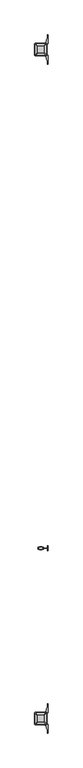
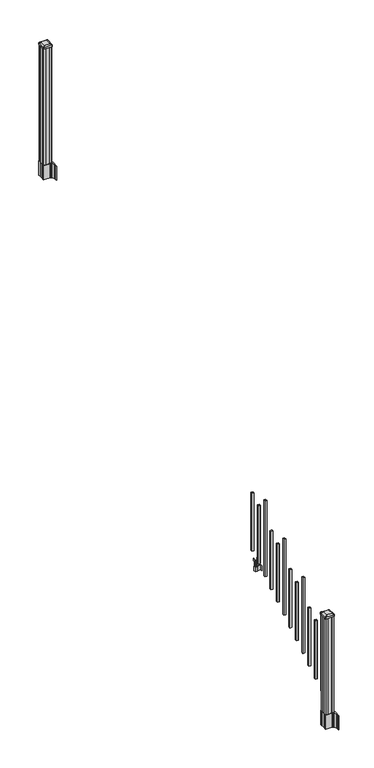
"""IFC4 building model written with IfcOpenShell, lengths in millimetres: railing geometry."""

from ifc_helpers import new_model, si_unit, point, frame, frame_2d, origin, place, context, project, spatial, polyline, circle_curve, trimmed, segment, composite_curve, outline, extrude, source, transform, mapped, element, save
from ifc_brep_helpers import plane_surface, extruded_surface, advanced_brep


def railing_194823c4(model_context):
    return source(origin(), model_context, "Body", "SolidModel", [
        extrude(outline(polyline([(7302.5407728, -114690.6918453), (7302.5407728, -114671.6418453), (7321.5907728, -114671.6418453), (7321.5907728, -114690.6918453), (7302.5407728, -114690.6918453)]), holes=[polyline([(7302.9376478, -114690.2949703), (7321.1938978, -114690.2949703), (7321.1938978, -114672.0387203), (7302.9376478, -114672.0387203), (7302.9376478, -114690.2949703)])]), frame((0.0, 0.0, 1089.6558781), z_axis=(0.0, 0.0, 1.0), x_axis=(1.0, 0.0, 0.0)), (0.0, 0.0, 1.0), 622.3041219),
        extrude(outline(polyline([(7322.7337726, -114738.0628453), (7322.7337726, -114735.5228453), (7362.1037728, -114735.5228453), (7362.1037728, -114738.0628453), (7322.7337726, -114738.0628453)])), frame((0.0, 0.0, 902.49375), z_axis=(0.0, 0.0, 1.0), x_axis=(1.0, 0.0, 0.0)), (0.0, 0.0, 1.0), 50.8),
        extrude(outline(polyline([(7362.1037728, -114755.8428453), (7362.1037728, -114717.7428453), (7364.6437728, -114717.7428453), (7364.6437728, -114755.8428453), (7362.1037728, -114755.8428453)])), frame((0.0, 0.0, 902.49375), z_axis=(0.0, 0.0, 1.0), x_axis=(1.0, 0.0, 0.0)), (0.0, 0.0, 1.0), 50.8),
        extrude(outline(polyline([(7301.397772, -114746.6988453), (7301.397772, -114726.8868453), (7322.7337726, -114726.8868453), (7322.7337726, -114746.6988453), (7301.397772, -114746.6988453)]), holes=[polyline([(7304.6997721, -114744.1588453), (7319.4317725, -114744.1588453), (7319.4317725, -114729.4268453), (7304.6997721, -114729.4268453), (7304.6997721, -114744.1588453)])]), frame((0.0, 0.0, 902.49375), z_axis=(0.0, 0.0, 1.0), x_axis=(1.0, 0.0, 0.0)), (0.0, 0.0, 1.0), 50.8),
        extrude(outline(polyline([(1042.0141479, 7330.2267716), (1042.0141479, 7328.194772), (1040.9981453, 7327.1787722), (1030.5623581, 7327.1787722), (1029.5463573, 7328.194772), (1017.555751, 7328.194772), (1016.7937519, 7327.4327729), (1016.7937519, 7296.6987717), (1017.555751, 7295.9367726), (1029.5463573, 7295.9367726), (1030.5623581, 7296.9527724), (1040.9981453, 7296.9527724), (1042.0141479, 7295.9367726), (1042.0141479, 7293.904773), (1041.2521469, 7293.142772), (1014.7617523, 7293.142772), (1013.9997513, 7293.904773), (1013.9997513, 7303.937772), (1013.2377512, 7304.6997721), (949.7377512, 7304.6997721), (949.7377512, 7319.4317725), (1013.2377512, 7319.4317725), (1013.9997513, 7320.1937726), (1013.9997513, 7330.2267716), (1014.7617523, 7330.9887726), (1041.2521469, 7330.9887726), (1042.0141479, 7330.2267716)]), holes=[polyline([(1013.9997513, 7308.6367724), (1013.9997513, 7315.4947722), (1013.2377512, 7316.2567723), (957.2307503, 7316.2567723), (956.4687531, 7315.4947751), (956.4687531, 7308.6367724), (957.2307531, 7307.8747723), (1013.2377512, 7307.8747723), (1013.9997513, 7308.6367724)])]), frame((0.0, -114744.1588453, 0.0), z_axis=(0.0, 1.0, 0.0), x_axis=(0.0, 0.0, 1.0)), (0.0, 0.0, 1.0), 14.732),
        extrude(outline(polyline([(7302.5407728, -114801.9438453), (7302.5407728, -114782.8938453), (7321.5907728, -114782.8938453), (7321.5907728, -114801.9438453), (7302.5407728, -114801.9438453)]), holes=[polyline([(7302.9376478, -114801.5469703), (7321.1938978, -114801.5469703), (7321.1938978, -114783.2907203), (7302.9376478, -114783.2907203), (7302.9376478, -114801.5469703)])]), frame((0.0, 0.0, 1020.1233781), z_axis=(0.0, 0.0, 1.0), x_axis=(1.0, 0.0, 0.0)), (0.0, 0.0, 1.0), 622.3041219),
        extrude(outline(polyline([(7302.5407728, -114913.1958453), (7302.5407728, -114894.1458453), (7321.5907728, -114894.1458453), (7321.5907728, -114913.1958453), (7302.5407728, -114913.1958453)]), holes=[polyline([(7302.9376478, -114912.7989703), (7321.1938978, -114912.7989703), (7321.1938978, -114894.5427203), (7302.9376478, -114894.5427203), (7302.9376478, -114912.7989703)])]), frame((0.0, 0.0, 950.5908781), z_axis=(0.0, 0.0, 1.0), x_axis=(1.0, 0.0, 0.0)), (0.0, 0.0, 1.0), 812.8041219),
        extrude(outline(polyline([(7302.5407728, -115024.4478453), (7302.5407728, -115005.3978453), (7321.5907728, -115005.3978453), (7321.5907728, -115024.4478453), (7302.5407728, -115024.4478453)]), holes=[polyline([(7302.9376478, -115024.0509703), (7321.1938978, -115024.0509703), (7321.1938978, -115005.7947203), (7302.9376478, -115005.7947203), (7302.9376478, -115024.0509703)])]), frame((0.0, 0.0, 881.0583781), z_axis=(0.0, 0.0, 1.0), x_axis=(1.0, 0.0, 0.0)), (0.0, 0.0, 1.0), 622.3041219),
        extrude(outline(polyline([(7302.5407728, -115135.6998453), (7302.5407728, -115116.6498453), (7321.5907728, -115116.6498453), (7321.5907728, -115135.6998453), (7302.5407728, -115135.6998453)]), holes=[polyline([(7302.9376478, -115135.3029703), (7321.1938978, -115135.3029703), (7321.1938978, -115117.0467203), (7302.9376478, -115117.0467203), (7302.9376478, -115135.3029703)])]), frame((0.0, 0.0, 811.5258781), z_axis=(0.0, 0.0, 1.0), x_axis=(1.0, 0.0, 0.0)), (0.0, 0.0, 1.0), 622.3041219),
        extrude(outline(polyline([(7302.5407728, -115246.9518453), (7302.5407728, -115227.9018453), (7321.5907728, -115227.9018453), (7321.5907728, -115246.9518453), (7302.5407728, -115246.9518453)]), holes=[polyline([(7302.9376478, -115246.5549703), (7321.1938978, -115246.5549703), (7321.1938978, -115228.2987203), (7302.9376478, -115228.2987203), (7302.9376478, -115246.5549703)])]), frame((0.0, 0.0, 741.9933781), z_axis=(0.0, 0.0, 1.0), x_axis=(1.0, 0.0, 0.0)), (0.0, 0.0, 1.0), 812.8041219),
        extrude(outline(polyline([(7302.5407728, -115358.2038453), (7302.5407728, -115339.1538453), (7321.5907728, -115339.1538453), (7321.5907728, -115358.2038453), (7302.5407728, -115358.2038453)]), holes=[polyline([(7302.9376478, -115357.8069703), (7321.1938978, -115357.8069703), (7321.1938978, -115339.5507203), (7302.9376478, -115339.5507203), (7302.9376478, -115357.8069703)])]), frame((0.0, 0.0, 672.4608781), z_axis=(0.0, 0.0, 1.0), x_axis=(1.0, 0.0, 0.0)), (0.0, 0.0, 1.0), 622.3041219),
        extrude(outline(polyline([(7302.5407728, -115469.4558453), (7302.5407728, -115450.4058453), (7321.5907728, -115450.4058453), (7321.5907728, -115469.4558453), (7302.5407728, -115469.4558453)]), holes=[polyline([(7302.9376478, -115469.0589703), (7321.1938978, -115469.0589703), (7321.1938978, -115450.8027203), (7302.9376478, -115450.8027203), (7302.9376478, -115469.0589703)])]), frame((0.0, 0.0, 602.9283781), z_axis=(0.0, 0.0, 1.0), x_axis=(1.0, 0.0, 0.0)), (0.0, 0.0, 1.0), 622.3041219),
        extrude(outline(polyline([(7302.5407728, -115580.7078453), (7302.5407728, -115561.6578453), (7321.5907728, -115561.6578453), (7321.5907728, -115580.7078453), (7302.5407728, -115580.7078453)]), holes=[polyline([(7302.9376478, -115580.3109703), (7321.1938978, -115580.3109703), (7321.1938978, -115562.0547203), (7302.9376478, -115562.0547203), (7302.9376478, -115580.3109703)])]), frame((0.0, 0.0, 533.3958781), z_axis=(0.0, 0.0, 1.0), x_axis=(1.0, 0.0, 0.0)), (0.0, 0.0, 1.0), 812.8041219),
        extrude(outline(polyline([(7302.5407728, -115691.9598453), (7302.5407728, -115672.9098453), (7321.5907728, -115672.9098453), (7321.5907728, -115691.9598453), (7302.5407728, -115691.9598453)]), holes=[polyline([(7302.9376478, -115691.5629703), (7321.1938978, -115691.5629703), (7321.1938978, -115673.3067203), (7302.9376478, -115673.3067203), (7302.9376478, -115691.5629703)])]), frame((0.0, 0.0, 463.8633781), z_axis=(0.0, 0.0, 1.0), x_axis=(1.0, 0.0, 0.0)), (0.0, 0.0, 1.0), 622.3041219),
        extrude(outline(polyline([(7302.5407728, -115803.2118453), (7302.5407728, -115784.1618453), (7321.5907728, -115784.1618453), (7321.5907728, -115803.2118453), (7302.5407728, -115803.2118453)]), holes=[polyline([(7302.9376478, -115802.8149703), (7321.1938978, -115802.8149703), (7321.1938978, -115784.5587203), (7302.9376478, -115784.5587203), (7302.9376478, -115802.8149703)])]), frame((0.0, 0.0, 394.3308781), z_axis=(0.0, 0.0, 1.0), x_axis=(1.0, 0.0, 0.0)), (0.0, 0.0, 1.0), 622.3041219),
        extrude(outline(polyline([(7302.5407728, -115914.4638453), (7302.5407728, -115895.4138453), (7321.5907728, -115895.4138453), (7321.5907728, -115914.4638453), (7302.5407728, -115914.4638453)]), holes=[polyline([(7302.9376478, -115914.0669703), (7321.1938978, -115914.0669703), (7321.1938978, -115895.8107203), (7302.9376478, -115895.8107203), (7302.9376478, -115914.0669703)])]), frame((0.0, 0.0, 324.7983781), z_axis=(0.0, 0.0, 1.0), x_axis=(1.0, 0.0, 0.0)), (0.0, 0.0, 1.0), 812.8041219),
        extrude(outline(polyline([(7351.7532728, -111080.3358453), (7332.1317728, -111080.3358453), (7331.3697728, -111078.7483453), (7292.7617728, -111078.7483453), (7291.9997728, -111080.3358453), (7272.3782728, -111080.3358453), (7270.7907728, -111078.7483453), (7270.7907728, -111059.1268453), (7272.3782728, -111058.3648453), (7272.3782728, -111019.7568453), (7270.7907728, -111018.9948453), (7270.7907728, -110999.3733453), (7272.3782728, -110997.7858453), (7291.9997728, -110997.7858453), (7292.7617728, -110999.3733453), (7331.3697728, -110999.3733453), (7332.1317728, -110997.7858453), (7351.7532728, -110997.7858453), (7353.3407728, -110999.3733453), (7353.3407728, -111018.9948453), (7351.7532728, -111019.7568453), (7351.7532728, -111058.3648453), (7353.3407728, -111059.1268453), (7353.3407728, -111078.7483453), (7351.7532728, -111080.3358453)])), frame((0.0, 0.0, 3048.0), z_axis=(0.0, 0.0, 1.0), x_axis=(1.0, 0.0, 0.0)), (0.0, 0.0, 1.0), 1247.740513),
        extrude(outline(composite_curve([segment(polyline([(7269.3302728, -111056.4469401), (7269.3302728, -111021.6747504), (7267.7427728, -111020.9127504), (7267.7427728, -110998.1108224), (7271.1157498, -110994.7378453), (7332.5754206, -110994.7378453), (7332.5754206, -110993.8170953), (7337.8929645, -110993.8170953), (7337.8929645, -110992.3628406), (7342.9774942, -110992.3628406), (7342.9774942, -110991.0788168), (7344.6447665, -110991.0788168)]), True, "CONTINUOUS"), segment(trimmed(circle_curve(frame_2d((7344.6447665, -110984.0193569)), 7.0594599), [point((7344.6447665, -110991.0788168))], [point((7351.4120293, -110986.0293636))], True, "CARTESIAN"), True, "CONTINUOUS"), segment(polyline([(7351.4120293, -110986.0293636), (7359.2862236, -110959.5186345)]), True, "CONTINUOUS"), segment(trimmed(circle_curve(frame_2d((7304.5017103, -110943.2465848)), 57.15), [point((7359.2862236, -110959.5186345))], [point((7361.6517103, -110943.2465848))], True, "CARTESIAN"), True, "CONTINUOUS"), segment(polyline([(7361.6517103, -110943.2465848), (7361.6517103, -110931.2378453), (7364.6517103, -110931.2378453), (7364.6517103, -110996.3253453), (7356.3887728, -111007.6636366), (7356.3887728, -111020.9127504), (7354.8012728, -111021.6747504), (7354.8012728, -111056.4469401), (7356.3887728, -111057.2089401), (7356.3887728, -111070.458054), (7364.6517103, -111081.7963453), (7364.6517103, -111146.8838453), (7361.6517103, -111146.8838453), (7361.6517103, -111134.8751057)]), True, "CONTINUOUS"), segment(trimmed(circle_curve(frame_2d((7304.5017103, -111134.8751057)), 57.15), [point((7361.6517103, -111134.8751057))], [point((7359.2862236, -111118.6030561))], True, "CARTESIAN"), True, "CONTINUOUS"), segment(polyline([(7359.2862236, -111118.6030561), (7351.4120293, -111092.092327)]), True, "CONTINUOUS"), segment(trimmed(circle_curve(frame_2d((7344.6447665, -111094.1023337)), 7.0594599), [point((7351.4120293, -111092.092327))], [point((7344.6447665, -111087.0428738))], True, "CARTESIAN"), True, "CONTINUOUS"), segment(polyline([(7344.6447665, -111087.0428738), (7342.9774942, -111087.0428738), (7342.9774942, -111085.75885), (7337.8929645, -111085.75885), (7337.8929645, -111084.3045953), (7332.5754206, -111084.3045953), (7332.5754206, -111083.3838453), (7271.1157498, -111083.3838453), (7267.7427728, -111080.0108682), (7267.7427728, -111057.2089401), (7269.3302728, -111056.4469401)]), True, "CONTINUOUS")], self_intersect=False), holes=[polyline([(7353.3407728, -110999.3733453), (7351.7532728, -110997.7858453), (7314.8289902, -110997.7858453), (7272.3782728, -110997.7858453), (7270.7907728, -110999.3733453), (7270.7907728, -111078.7483453), (7272.3782728, -111080.3358453), (7314.8289902, -111080.3358453), (7351.7532728, -111080.3358453), (7353.3407728, -111078.7483453), (7353.3407728, -110999.3733453)])]), frame((0.0, 0.0, 2895.6), z_axis=(0.0, 0.0, 1.0), x_axis=(1.0, 0.0, 0.0)), (0.0, 0.0, 1.0), 152.4),
        advanced_brep(
        [(7337.8626478, -111068.0327203, 4324.315513), (7341.0376478, -111064.8577203, 4324.315513), (7341.0376478, -111013.2639703, 4324.315513), (7337.8626478, -111010.0889703, 4324.315513), (7286.2688978, -111010.0889703, 4324.315513), (7283.0938978, -111013.2639703, 4324.315513), (7283.0938978, -111064.8577203, 4324.315513), (7286.2688978, -111068.0327203, 4324.315513), (7354.1345228, -111084.3045953, 4313.012513), (7269.9970228, -111084.3045953, 4313.012513), (7266.8220228, -111081.1295953, 4313.012513), (7266.8220228, -110996.9920953, 4313.012513), (7269.9970228, -110993.8170953, 4313.012513), (7354.1345228, -110993.8170953, 4313.012513), (7357.3095228, -110996.9920953, 4313.012513), (7357.3095228, -111081.1295953, 4313.012513)],
        [
            (0, 1, circle_curve(frame((7337.8626478, -111064.8577203, 4324.315513), z_axis=(0.0, 0.0, 1.0), x_axis=(0.0, 1.0, 0.0)), 3.175)),
            (1, 2),
            (2, 3, circle_curve(frame((7337.8626478, -111013.2639703, 4324.315513), z_axis=(0.0, 0.0, 1.0), x_axis=(0.0, 1.0, 0.0)), 3.175)),
            (3, 4),
            (4, 5, circle_curve(frame((7286.2688978, -111013.2639703, 4324.315513), z_axis=(0.0, 0.0, 1.0), x_axis=(0.0, 1.0, 0.0)), 3.175)),
            (5, 6),
            (6, 7, circle_curve(frame((7286.2688978, -111064.8577203, 4324.315513), z_axis=(0.0, 0.0, 1.0), x_axis=(0.0, 1.0, 0.0)), 3.175)),
            (7, 0),
            (8, 9),
            (9, 10, circle_curve(frame((7269.9970228, -111081.1295953, 4313.012513), z_axis=(0.0, 0.0, -1.0), x_axis=(0.0, 1.0, 0.0)), 3.175)),
            (10, 11),
            (11, 12, circle_curve(frame((7269.9970228, -110996.9920953, 4313.012513), z_axis=(0.0, 0.0, -1.0), x_axis=(0.0, 1.0, 0.0)), 3.175)),
            (12, 13),
            (13, 14, circle_curve(frame((7354.1345228, -110996.9920953, 4313.012513), z_axis=(0.0, 0.0, -1.0), x_axis=(0.0, 1.0, 0.0)), 3.175)),
            (14, 15),
            (15, 8, circle_curve(frame((7354.1345228, -111081.1295953, 4313.012513), z_axis=(0.0, 0.0, -1.0), x_axis=(0.0, 1.0, 0.0)), 3.175)),
            (15, 1),
            (0, 8),
            (14, 2),
            (13, 3),
            (12, 4),
            (11, 5),
            (10, 6),
            (9, 7),
        ],
        [
            plane_surface(frame((7312.0657728, -111039.0608453, 4324.315513), z_axis=(0.0, 0.0, 1.0), x_axis=(1.0, 0.0, 0.0))),
            plane_surface(frame((7312.0657728, -111039.0608453, 4313.012513), z_axis=(0.0, 0.0, -1.0), x_axis=(1.0, 0.0, 0.0))),
            extruded_surface(trimmed(circle_curve(frame((7354.1345228, -111081.1295953, 4313.012513), z_axis=(0.0, 0.0, 1.0), x_axis=(0.0, 1.0, 0.0)), 3.175), [point((7354.1345228, -111084.3045953, 4313.012513))], [point((7357.3095228, -111081.1295953, 4313.012513))], True, "CARTESIAN"), (-16.271875000000364, 16.27187499999127, 11.302999999999884), 25.637972638860802),
            plane_surface(frame((7357.3095228, -111039.0608453, 4313.012513), z_axis=(0.5705009161540687, 0.0, 0.8212969649690472), x_axis=(0.0, 1.0, 0.0))),
            extruded_surface(trimmed(circle_curve(frame((7354.1345228, -110996.9920953, 4313.012513), z_axis=(0.0, 0.0, 1.0), x_axis=(0.0, 1.0, 0.0)), 3.175), [point((7357.3095228, -110996.9920953, 4313.012513))], [point((7354.1345228, -110993.8170953, 4313.012513))], True, "CARTESIAN"), (-16.271875000000364, -16.27187500000582, 11.302999999999884), 25.637972638870036),
            plane_surface(frame((7312.0657728, -110993.8170953, 4313.012513), z_axis=(0.0, 0.5705009161540291, 0.8212969649690747), x_axis=(-1.0, 0.0, 0.0))),
            extruded_surface(trimmed(circle_curve(frame((7269.9970228, -110996.9920953, 4313.012513), z_axis=(0.0, 0.0, 1.0), x_axis=(0.0, 1.0, 0.0)), 3.175), [point((7269.9970228, -110993.8170953, 4313.012513))], [point((7266.8220228, -110996.9920953, 4313.012513))], True, "CARTESIAN"), (16.271874999999454, -16.27187500000582, 11.302999999999884), 25.63797263886946),
            plane_surface(frame((7266.8220228, -111039.0608453, 4313.012513), z_axis=(-0.5705009161540233, 0.0, 0.8212969649690787), x_axis=(0.0, -1.0, 0.0))),
            extruded_surface(trimmed(circle_curve(frame((7269.9970228, -111081.1295953, 4313.012513), z_axis=(0.0, 0.0, 1.0), x_axis=(0.0, 1.0, 0.0)), 3.175), [point((7266.8220228, -111081.1295953, 4313.012513))], [point((7269.9970228, -111084.3045953, 4313.012513))], True, "CARTESIAN"), (16.271874999999454, 16.27187499999127, 11.302999999999884), 25.637972638860223),
            plane_surface(frame((7312.0657728, -111084.3045953, 4313.012513), z_axis=(0.0, -0.570500916154034, 0.8212969649690713), x_axis=(1.0, 0.0, 0.0))),
        ],
        [
            (0, [[1, 2, 3, 4, 5, 6, 7, 8]]),
            (1, [[9, 10, 11, 12, 13, 14, 15, 16]]),
            (2, [[-16, 17, -1, 18]]),
            (3, [[-15, 19, -2, -17]]),
            (4, [[-14, 20, -3, -19]]),
            (5, [[-13, 21, -4, -20]]),
            (6, [[-12, 22, -5, -21]]),
            (7, [[-11, 23, -6, -22]]),
            (8, [[-10, 24, -7, -23]]),
            (9, [[-9, -18, -8, -24]]),
        ],
    ),
        extrude(outline(composite_curve([segment(polyline([(7354.1345228, -111084.3045953), (7269.9970228, -111084.3045953)]), True, "CONTINUOUS"), segment(trimmed(circle_curve(frame_2d((7269.9970228, -111081.1295953)), 3.175), [point((7269.9970228, -111084.3045953))], [point((7266.8220228, -111081.1295953))], False, "CARTESIAN"), True, "CONTINUOUS"), segment(polyline([(7266.8220228, -111081.1295953), (7266.8220228, -110996.9920953)]), True, "CONTINUOUS"), segment(trimmed(circle_curve(frame_2d((7269.9970228, -110996.9920953)), 3.175), [point((7266.8220228, -110996.9920953))], [point((7269.9970228, -110993.8170953))], False, "CARTESIAN"), True, "CONTINUOUS"), segment(polyline([(7269.9970228, -110993.8170953), (7354.1345228, -110993.8170953)]), True, "CONTINUOUS"), segment(trimmed(circle_curve(frame_2d((7354.1345228, -110996.9920953)), 3.175), [point((7354.1345228, -110993.8170953))], [point((7357.3095228, -110996.9920953))], False, "CARTESIAN"), True, "CONTINUOUS"), segment(polyline([(7357.3095228, -110996.9920953), (7357.3095228, -111081.1295953)]), True, "CONTINUOUS"), segment(trimmed(circle_curve(frame_2d((7354.1345228, -111081.1295953)), 3.175), [point((7357.3095228, -111081.1295953))], [point((7354.1345228, -111084.3045953))], False, "CARTESIAN"), True, "CONTINUOUS")], self_intersect=False)), frame((0.0, 0.0, 4295.740513), z_axis=(0.0, 0.0, 1.0), x_axis=(1.0, 0.0, 0.0)), (0.0, 0.0, 1.0), 17.272),
        extrude(outline(composite_curve([segment(polyline([(7269.3302728, -116016.0509401), (7269.3302728, -115981.2787504), (7267.7427728, -115980.5167504), (7267.7427728, -115957.7148224), (7271.1157498, -115954.3418453), (7332.5754206, -115954.3418453), (7332.5754206, -115953.4210953), (7337.8929645, -115953.4210953), (7337.8929645, -115951.9668406), (7342.9774942, -115951.9668406), (7342.9774942, -115950.6828168), (7344.6447665, -115950.6828168)]), True, "CONTINUOUS"), segment(trimmed(circle_curve(frame_2d((7344.6447665, -115943.6233569)), 7.0594599), [point((7344.6447665, -115950.6828168))], [point((7351.4120293, -115945.6333636))], True, "CARTESIAN"), True, "CONTINUOUS"), segment(polyline([(7351.4120293, -115945.6333636), (7359.2862236, -115919.1226345)]), True, "CONTINUOUS"), segment(trimmed(circle_curve(frame_2d((7304.5017103, -115902.8505848)), 57.15), [point((7359.2862236, -115919.1226345))], [point((7361.6517103, -115902.8505848))], True, "CARTESIAN"), True, "CONTINUOUS"), segment(polyline([(7361.6517103, -115902.8505848), (7361.6517103, -115890.8418453), (7364.6517103, -115890.8418453), (7364.6517103, -115955.9293453), (7356.3887728, -115967.2676366), (7356.3887728, -115980.5167504), (7354.8012728, -115981.2787504), (7354.8012728, -116016.0509401), (7356.3887728, -116016.8129401), (7356.3887728, -116030.062054), (7364.6517103, -116041.4003453), (7364.6517103, -116106.4878453), (7361.6517103, -116106.4878453), (7361.6517103, -116094.4791057)]), True, "CONTINUOUS"), segment(trimmed(circle_curve(frame_2d((7304.5017103, -116094.4791057)), 57.15), [point((7361.6517103, -116094.4791057))], [point((7359.2862236, -116078.2070561))], True, "CARTESIAN"), True, "CONTINUOUS"), segment(polyline([(7359.2862236, -116078.2070561), (7351.4120293, -116051.696327)]), True, "CONTINUOUS"), segment(trimmed(circle_curve(frame_2d((7344.6447665, -116053.7063337)), 7.0594599), [point((7351.4120293, -116051.696327))], [point((7344.6447665, -116046.6468738))], True, "CARTESIAN"), True, "CONTINUOUS"), segment(polyline([(7344.6447665, -116046.6468738), (7342.9774942, -116046.6468738), (7342.9774942, -116045.36285), (7337.8929645, -116045.36285), (7337.8929645, -116043.9085953), (7332.5754206, -116043.9085953), (7332.5754206, -116042.9878453), (7271.1157498, -116042.9878453), (7267.7427728, -116039.6148682), (7267.7427728, -116016.8129401), (7269.3302728, -116016.0509401)]), True, "CONTINUOUS")], self_intersect=False), holes=[polyline([(7353.3407728, -115958.9773453), (7351.7532728, -115957.3898453), (7314.8289902, -115957.3898453), (7272.3782728, -115957.3898453), (7270.7907728, -115958.9773453), (7270.7907728, -116038.3523453), (7272.3782728, -116039.9398453), (7314.8289902, -116039.9398453), (7351.7532728, -116039.9398453), (7353.3407728, -116038.3523453), (7353.3407728, -115958.9773453)])]), frame((0.0, 0.0, 12.22375), z_axis=(0.0, 0.0, 1.0), x_axis=(1.0, 0.0, 0.0)), (0.0, 0.0, 1.0), 152.4),
        advanced_brep(
        [(7337.8626478, -116027.6367203, 1224.563013), (7341.0376478, -116024.4617203, 1224.563013), (7341.0376478, -115972.8679703, 1224.563013), (7337.8626478, -115969.6929703, 1224.563013), (7286.2688978, -115969.6929703, 1224.563013), (7283.0938978, -115972.8679703, 1224.563013), (7283.0938978, -116024.4617203, 1224.563013), (7286.2688978, -116027.6367203, 1224.563013), (7354.1345228, -116043.9085953, 1213.260013), (7269.9970228, -116043.9085953, 1213.260013), (7266.8220228, -116040.7335953, 1213.260013), (7266.8220228, -115956.5960953, 1213.260013), (7269.9970228, -115953.4210953, 1213.260013), (7354.1345228, -115953.4210953, 1213.260013), (7357.3095228, -115956.5960953, 1213.260013), (7357.3095228, -116040.7335953, 1213.260013)],
        [
            (0, 1, circle_curve(frame((7337.8626478, -116024.4617203, 1224.563013), z_axis=(0.0, 0.0, 1.0), x_axis=(0.0, 1.0, 0.0)), 3.175)),
            (1, 2),
            (2, 3, circle_curve(frame((7337.8626478, -115972.8679703, 1224.563013), z_axis=(0.0, 0.0, 1.0), x_axis=(0.0, 1.0, 0.0)), 3.175)),
            (3, 4),
            (4, 5, circle_curve(frame((7286.2688978, -115972.8679703, 1224.563013), z_axis=(0.0, 0.0, 1.0), x_axis=(0.0, 1.0, 0.0)), 3.175)),
            (5, 6),
            (6, 7, circle_curve(frame((7286.2688978, -116024.4617203, 1224.563013), z_axis=(0.0, 0.0, 1.0), x_axis=(0.0, 1.0, 0.0)), 3.175)),
            (7, 0),
            (8, 9),
            (9, 10, circle_curve(frame((7269.9970228, -116040.7335953, 1213.260013), z_axis=(0.0, 0.0, -1.0), x_axis=(0.0, 1.0, 0.0)), 3.175)),
            (10, 11),
            (11, 12, circle_curve(frame((7269.9970228, -115956.5960953, 1213.260013), z_axis=(0.0, 0.0, -1.0), x_axis=(0.0, 1.0, 0.0)), 3.175)),
            (12, 13),
            (13, 14, circle_curve(frame((7354.1345228, -115956.5960953, 1213.260013), z_axis=(0.0, 0.0, -1.0), x_axis=(0.0, 1.0, 0.0)), 3.175)),
            (14, 15),
            (15, 8, circle_curve(frame((7354.1345228, -116040.7335953, 1213.260013), z_axis=(0.0, 0.0, -1.0), x_axis=(0.0, 1.0, 0.0)), 3.175)),
            (15, 1),
            (0, 8),
            (14, 2),
            (13, 3),
            (12, 4),
            (11, 5),
            (10, 6),
            (9, 7),
        ],
        [
            plane_surface(frame((7312.0657728, -115998.6648453, 1224.563013), z_axis=(0.0, 0.0, 1.0), x_axis=(1.0, 0.0, 0.0))),
            plane_surface(frame((7312.0657728, -115998.6648453, 1213.260013), z_axis=(0.0, 0.0, -1.0), x_axis=(1.0, 0.0, 0.0))),
            extruded_surface(trimmed(circle_curve(frame((7354.1345228, -116040.7335953, 1213.260013), z_axis=(0.0, 0.0, 1.0), x_axis=(0.0, 1.0, 0.0)), 3.175), [point((7354.1345228, -116043.9085953, 1213.260013))], [point((7357.3095228, -116040.7335953, 1213.260013))], True, "CARTESIAN"), (-16.271875000000364, 16.27187500000582, 11.302999999999884), 25.637972638870036),
            plane_surface(frame((7357.3095228, -115998.6648453, 1213.260013), z_axis=(0.5705009161540778, 0.0, 0.8212969649690408), x_axis=(0.0, 1.0, 0.0))),
            extruded_surface(trimmed(circle_curve(frame((7354.1345228, -115956.5960953, 1213.260013), z_axis=(0.0, 0.0, 1.0), x_axis=(0.0, 1.0, 0.0)), 3.175), [point((7357.3095228, -115956.5960953, 1213.260013))], [point((7354.1345228, -115953.4210953, 1213.260013))], True, "CARTESIAN"), (-16.271875000000364, -16.27187499999127, 11.302999999999884), 25.637972638860802),
            plane_surface(frame((7312.0657728, -115953.4210953, 1213.260013), z_axis=(0.0, 0.5705009161540291, 0.8212969649690747), x_axis=(-1.0, 0.0, 0.0))),
            extruded_surface(trimmed(circle_curve(frame((7269.9970228, -115956.5960953, 1213.260013), z_axis=(0.0, 0.0, 1.0), x_axis=(0.0, 1.0, 0.0)), 3.175), [point((7269.9970228, -115953.4210953, 1213.260013))], [point((7266.8220228, -115956.5960953, 1213.260013))], True, "CARTESIAN"), (16.271874999999454, -16.27187499999127, 11.302999999999884), 25.637972638860223),
            plane_surface(frame((7266.8220228, -115998.6648453, 1213.260013), z_axis=(-0.5705009161540142, 0.0, 0.8212969649690851), x_axis=(0.0, -1.0, 0.0))),
            extruded_surface(trimmed(circle_curve(frame((7269.9970228, -116040.7335953, 1213.260013), z_axis=(0.0, 0.0, 1.0), x_axis=(0.0, 1.0, 0.0)), 3.175), [point((7266.8220228, -116040.7335953, 1213.260013))], [point((7269.9970228, -116043.9085953, 1213.260013))], True, "CARTESIAN"), (16.271874999999454, 16.27187500000582, 11.302999999999884), 25.63797263886946),
            plane_surface(frame((7312.0657728, -116043.9085953, 1213.260013), z_axis=(0.0, -0.570500916154034, 0.8212969649690713), x_axis=(1.0, 0.0, 0.0))),
        ],
        [
            (0, [[1, 2, 3, 4, 5, 6, 7, 8]]),
            (1, [[9, 10, 11, 12, 13, 14, 15, 16]]),
            (2, [[-16, 17, -1, 18]]),
            (3, [[-15, 19, -2, -17]]),
            (4, [[-14, 20, -3, -19]]),
            (5, [[-13, 21, -4, -20]]),
            (6, [[-12, 22, -5, -21]]),
            (7, [[-11, 23, -6, -22]]),
            (8, [[-10, 24, -7, -23]]),
            (9, [[-9, -18, -8, -24]]),
        ],
    ),
        extrude(outline(composite_curve([segment(polyline([(7354.1345228, -116043.9085953), (7269.9970228, -116043.9085953)]), True, "CONTINUOUS"), segment(trimmed(circle_curve(frame_2d((7269.9970228, -116040.7335953)), 3.175), [point((7269.9970228, -116043.9085953))], [point((7266.8220228, -116040.7335953))], False, "CARTESIAN"), True, "CONTINUOUS"), segment(polyline([(7266.8220228, -116040.7335953), (7266.8220228, -115956.5960953)]), True, "CONTINUOUS"), segment(trimmed(circle_curve(frame_2d((7269.9970228, -115956.5960953)), 3.175), [point((7266.8220228, -115956.5960953))], [point((7269.9970228, -115953.4210953))], False, "CARTESIAN"), True, "CONTINUOUS"), segment(polyline([(7269.9970228, -115953.4210953), (7354.1345228, -115953.4210953)]), True, "CONTINUOUS"), segment(trimmed(circle_curve(frame_2d((7354.1345228, -115956.5960953)), 3.175), [point((7354.1345228, -115953.4210953))], [point((7357.3095228, -115956.5960953))], False, "CARTESIAN"), True, "CONTINUOUS"), segment(polyline([(7357.3095228, -115956.5960953), (7357.3095228, -116040.7335953)]), True, "CONTINUOUS"), segment(trimmed(circle_curve(frame_2d((7354.1345228, -116040.7335953)), 3.175), [point((7357.3095228, -116040.7335953))], [point((7354.1345228, -116043.9085953))], False, "CARTESIAN"), True, "CONTINUOUS")], self_intersect=False)), frame((0.0, 0.0, 1195.988013), z_axis=(0.0, 0.0, 1.0), x_axis=(1.0, 0.0, 0.0)), (0.0, 0.0, 1.0), 17.272),
        extrude(outline(polyline([(7351.7532728, -116039.9398453), (7332.1317728, -116039.9398453), (7331.3697728, -116038.3523453), (7292.7617728, -116038.3523453), (7291.9997728, -116039.9398453), (7272.3782728, -116039.9398453), (7270.7907728, -116038.3523453), (7270.7907728, -116018.7308453), (7272.3782728, -116017.9688453), (7272.3782728, -115979.3608453), (7270.7907728, -115978.5988453), (7270.7907728, -115958.9773453), (7272.3782728, -115957.3898453), (7291.9997728, -115957.3898453), (7292.7617728, -115958.9773453), (7331.3697728, -115958.9773453), (7332.1317728, -115957.3898453), (7351.7532728, -115957.3898453), (7353.3407728, -115958.9773453), (7353.3407728, -115978.5988453), (7351.7532728, -115979.3608453), (7351.7532728, -116017.9688453), (7353.3407728, -116018.7308453), (7353.3407728, -116038.3523453), (7351.7532728, -116039.9398453)])), frame((0.0, 0.0, 164.62375), z_axis=(0.0, 0.0, 1.0), x_axis=(1.0, 0.0, 0.0)), (0.0, 0.0, 1.0), 1031.364263),
    ])


if __name__ == "__main__":
    model = new_model("IFC4")
    model_context = context("Model", 3, world=origin())
    ifc_project = project(units=[si_unit("LENGTHUNIT", "METRE", prefix="MILLI")], contexts=[model_context])
    site = spatial("IfcSite", under=ifc_project)
    building = spatial("IfcBuilding", under=site)
    placement = place(None, origin())
    railing_shape = railing_194823c4(model_context)
    element("IfcRailing", 1, at=placement, inside=building, context=model_context, shape_type="MappedRepresentation", body=[
        mapped(railing_shape, transform((0.0, 0.0, 0.0), x_axis=(1.0, 0.0, 0.0), y_axis=(0.0, 1.0, 0.0), z_axis=(0.0, 0.0, 1.0))),
    ])
    save(model, "model.ifc")
